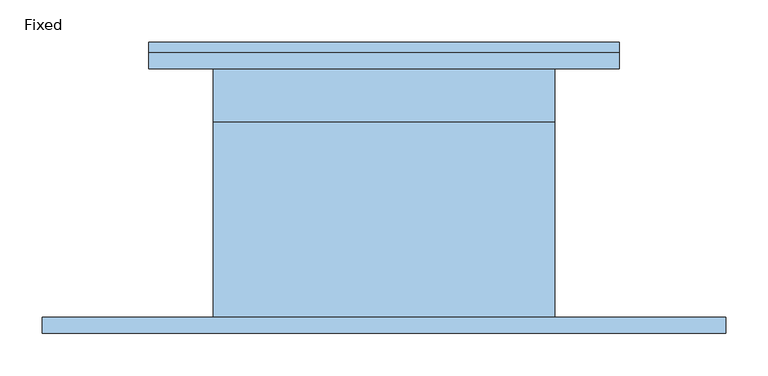
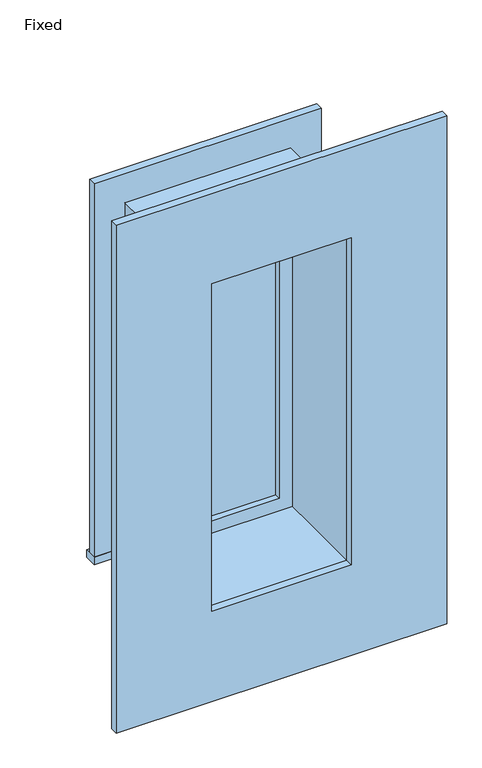
"""IFC4 building model written with IfcOpenShell, lengths in millimetres: window geometry, Fixed."""

from ifc_helpers import new_model, si_unit, frame, origin, place, context, project, spatial, polyline, outline, extrude, source, transform, mapped, element, save


def fixed_431f5485(model_context):
    return source(origin(), model_context, "Body", "SweptSolid", [
        extrude(outline(polyline([(-317.5, 179.3875), (241.3, 179.3875), (241.3, 147.6375), (-317.5, 147.6375), (-317.5, 179.3875)])), frame((0.0, 0.0, 914.4), z_axis=(0.0, 0.0, 1.0), x_axis=(1.0, 0.0, 0.0)), (0.0, 0.0, 1.0), 19.05),
        extrude(outline(polyline([(1809.75, -222.25), (1809.75, 146.05), (933.45, 146.05), (933.45, 241.3), (1905.0, 241.3), (1905.0, -317.5), (933.45, -317.5), (933.45, -222.25), (1809.75, -222.25)])), frame((0.0, 147.6375, 0.0), z_axis=(0.0, 1.0, 0.0), x_axis=(0.0, 0.0, 1.0)), (0.0, 0.0, 1.0), 19.05),
        extrude(outline(polyline([(2032.0, 368.3), (2032.0, -444.5), (711.2, -444.5), (711.2, 368.3), (2032.0, 368.3)]), holes=[polyline([(1797.05, 133.35), (946.15, 133.35), (946.15, -209.55), (1797.05, -209.55), (1797.05, 133.35)])]), frame((0.0, -166.6875, 0.0), z_axis=(0.0, 1.0, 0.0), x_axis=(0.0, 0.0, 1.0)), (0.0, 0.0, 1.0), 19.05),
        extrude(outline(polyline([(101.6, 100.0125), (-177.8, 100.0125), (-177.8, 112.7125), (101.6, 112.7125), (101.6, 100.0125)])), frame((0.0, 0.0, 977.9), z_axis=(0.0, 0.0, 1.0), x_axis=(1.0, 0.0, 0.0)), (0.0, 0.0, 1.0), 787.4),
        extrude(outline(polyline([(1809.75, -222.25), (933.45, -222.25), (933.45, 146.05), (1809.75, 146.05), (1809.75, -222.25)]), holes=[polyline([(1765.3, -177.8), (1765.3, 101.6), (977.9, 101.6), (977.9, -177.8), (1765.3, -177.8)])]), frame((0.0, 84.1375, 0.0), z_axis=(0.0, 1.0, 0.0), x_axis=(0.0, 0.0, 1.0)), (0.0, 0.0, 1.0), 44.45),
        extrude(outline(polyline([(1828.8, -241.3), (914.4, -241.3), (914.4, 165.1), (1828.8, 165.1), (1828.8, -241.3)]), holes=[polyline([(1797.05, -209.55), (1797.05, 133.35), (946.15, 133.35), (946.15, -209.55), (1797.05, -209.55)])]), frame((0.0, -147.6375, 0.0), z_axis=(0.0, 1.0, 0.0), x_axis=(0.0, 0.0, 1.0)), (0.0, 0.0, 1.0), 231.775),
        extrude(outline(polyline([(1828.8, 165.1), (1828.8, -241.3), (914.4, -241.3), (914.4, 165.1), (1828.8, 165.1)]), holes=[polyline([(1809.75, 146.05), (933.45, 146.05), (933.45, -222.25), (1809.75, -222.25), (1809.75, 146.05)])]), frame((0.0, 84.1375, 0.0), z_axis=(0.0, 1.0, 0.0), x_axis=(0.0, 0.0, 1.0)), (0.0, 0.0, 1.0), 63.5),
    ])


if __name__ == "__main__":
    model = new_model("IFC4")
    model_context = context("Model", 3, world=origin())
    ifc_project = project(units=[si_unit("LENGTHUNIT", "METRE", prefix="MILLI")], contexts=[model_context])
    site = spatial("IfcSite", under=ifc_project)
    building = spatial("IfcBuilding", under=site)
    placement = place(None, origin())
    fixed_shape = fixed_431f5485(model_context)
    element("IfcWindow", 1, ObjectType="Fixed", at=placement, inside=building, context=model_context, shape_type="MappedRepresentation", body=[
        mapped(fixed_shape, transform((0.0, 0.0, 0.0), x_axis=(1.0, 0.0, 0.0), y_axis=(0.0, 1.0, 0.0), z_axis=(0.0, 0.0, 1.0))),
    ])
    save(model, "model.ifc")
